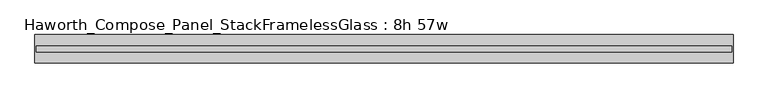
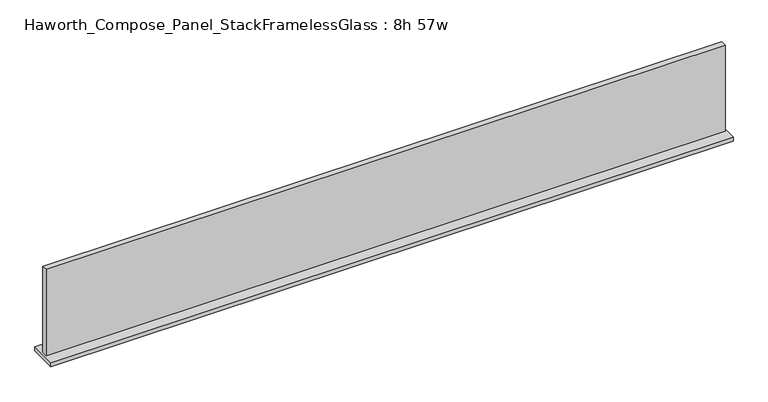
"""IFC4 building model written with IfcOpenShell, lengths in millimetres: furniture geometry, Haworth_Compose_Panel_StackFramelessGlass : 8h 57w."""

from ifc_helpers import new_model, si_unit, frame, origin, place, context, project, spatial, polyline, outline, extrude, source, transform, mapped, element, save


def haworth_compose_panel_stackframelessglass_8h_57w_fe35d98b(model_context):
    return source(origin(), model_context, "Body", "SweptSolid", [
        extrude(outline(polyline([(723.1652902, -27.3093594), (-718.2847098, -27.3093594), (-718.2847098, -14.6093594), (723.1652902, -14.6093594), (723.1652902, -27.3093594)])), frame((0.0, 0.0, 1279.525), z_axis=(0.0, 0.0, 1.0), x_axis=(1.0, 0.0, 0.0)), (0.0, 0.0, 1.0), 193.675),
        extrude(outline(polyline([(-721.4597098, -50.3281094), (-721.4597098, 8.4093906), (726.3402902, 8.4093906), (726.3402902, -50.3281094), (-721.4597098, -50.3281094)])), frame((0.0, 0.0, 1270.0), z_axis=(0.0, 0.0, 1.0), x_axis=(1.0, 0.0, 0.0)), (0.0, 0.0, 1.0), 9.525),
    ])


if __name__ == "__main__":
    model = new_model("IFC4")
    model_context = context("Model", 3, world=origin())
    ifc_project = project(units=[si_unit("LENGTHUNIT", "METRE", prefix="MILLI")], contexts=[model_context])
    site = spatial("IfcSite", under=ifc_project)
    building = spatial("IfcBuilding", under=site)
    placement = place(None, origin())
    haworth_compose_panel_stackframelessglass_8h_57w_shape = haworth_compose_panel_stackframelessglass_8h_57w_fe35d98b(model_context)
    element("IfcFurniture", 1, ObjectType="Haworth_Compose_Panel_StackFramelessGlass : 8h 57w", at=placement, inside=building, context=model_context, shape_type="MappedRepresentation", body=[
        mapped(haworth_compose_panel_stackframelessglass_8h_57w_shape, transform((0.0, 0.0, 0.0), x_axis=(1.0, 0.0, 0.0), y_axis=(0.0, 1.0, 0.0), z_axis=(0.0, 0.0, 1.0))),
    ])
    save(model, "model.ifc")
